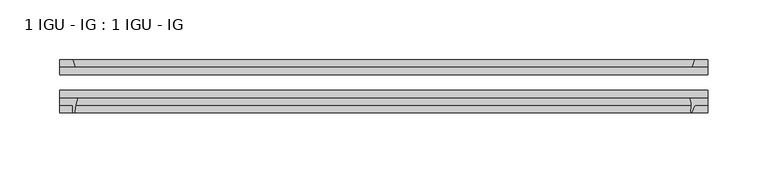
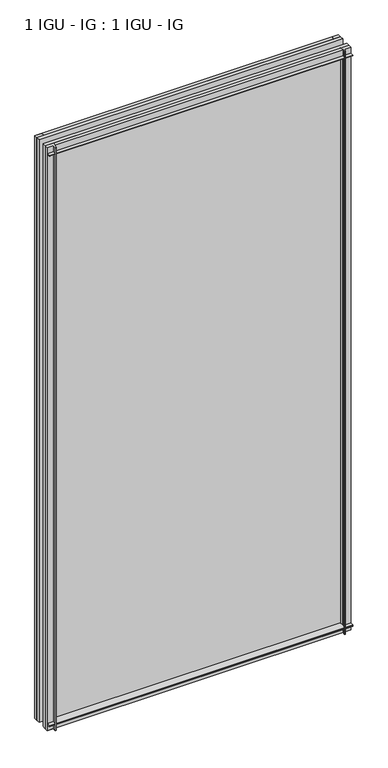
"""IFC4 building model written with IfcOpenShell, lengths in millimetres: plate geometry, 1 IGU - IG : 1 IGU - IG."""

from ifc_helpers import new_model, si_unit, point, frame, frame_2d, origin, place, context, project, spatial, polyline, circle_curve, trimmed, segment, composite_curve, outline, extrude, source, transform, mapped, element, save


def plate_1_igu_ig_1_igu_ig_8172a4a7(model_context):
    return source(origin(), model_context, "Body", "SweptSolid", [
        extrude(outline(polyline([(271.6117304, -31.75), (271.6117304, -38.1), (-271.6117304, -38.1), (-271.6117304, -31.75), (271.6117304, -31.75)])), frame((0.0, 0.0, -11.1125), z_axis=(0.0, 0.0, 1.0), x_axis=(1.0, 0.0, 0.0)), (0.0, 0.0, 1.0), 1101.725),
        extrude(outline(polyline([(-271.6117304, -12.7), (271.6117304, -12.7), (271.6117304, -19.05), (-271.6117304, -19.05), (-271.6117304, -12.7)])), frame((0.0, 0.0, -11.1125), z_axis=(0.0, 0.0, 1.0), x_axis=(1.0, 0.0, 0.0)), (0.0, 0.0, 1.0), 1101.725),
        extrude(outline(polyline([(271.6117304, -12.7), (258.3803519, -12.7), (260.4856289, -6.35), (271.6117304, -6.35), (271.6117304, -12.7)])), frame((0.0, 0.0, -11.1125), z_axis=(0.0, 0.0, 1.0), x_axis=(1.0, 0.0, 0.0)), (0.0, 0.0, 1.0), 1101.725),
        extrude(outline(composite_curve([segment(polyline([(256.3044497, -38.1), (271.6117304, -38.1), (271.6117304, -44.45), (260.4856289, -44.45), (258.0782175, -50.2620054)]), True, "CONTINUOUS"), segment(trimmed(circle_curve(frame_2d((258.0901847, -49.5000993)), 0.762), [point((258.0782175, -50.2620054))], [point((257.339685, -49.3682124))], False, "CARTESIAN"), True, "CONTINUOUS"), segment(trimmed(circle_curve(frame_2d((221.3642085, -43.0461661)), 36.5267461), [point((257.339685, -49.3682124))], [point((257.8307564, -45.1423684))], True, "CARTESIAN"), True, "CONTINUOUS"), segment(trimmed(circle_curve(frame_2d((248.3214542, -44.5957463)), 9.525), [point((257.8307564, -45.1423684))], [point((257.5642335, -42.2942999))], True, "CARTESIAN"), True, "CONTINUOUS"), segment(trimmed(circle_curve(frame_2d((213.0454334, -53.3794536)), 45.8781451), [point((257.5642335, -42.2942999))], [point((256.3044497, -38.1))], True, "CARTESIAN"), True, "CONTINUOUS")], self_intersect=False)), frame((0.0, 0.0, -11.1125), z_axis=(0.0, 0.0, 1.0), x_axis=(1.0, 0.0, 0.0)), (0.0, 0.0, 1.0), 1101.725),
        extrude(outline(composite_curve([segment(polyline([(-271.6117304, -38.1), (-256.3180511, -38.1)]), True, "CONTINUOUS"), segment(trimmed(circle_curve(frame_2d((-213.0590348, -53.3794536)), 45.8781451), [point((-256.3180511, -38.1))], [point((-258.8192876, -50.0925922))], True, "CARTESIAN"), True, "CONTINUOUS"), segment(trimmed(circle_curve(frame_2d((-259.5793295, -50.038)), 0.762), [point((-258.8192876, -50.0925922))], [point((-259.5793295, -50.8))], False, "CARTESIAN"), True, "CONTINUOUS"), segment(polyline([(-259.5793295, -50.8), (-260.4992304, -50.8), (-260.4992304, -44.45), (-271.6117304, -44.45), (-271.6117304, -38.1)]), True, "CONTINUOUS")], self_intersect=False)), frame((0.0, 0.0, -11.1125), z_axis=(0.0, 0.0, 1.0), x_axis=(1.0, 0.0, 0.0)), (0.0, 0.0, 1.0), 1101.725),
        extrude(outline(polyline([(-258.3939533, -12.7), (-271.6117304, -12.7), (-271.6117304, -6.35), (-260.4992304, -6.35), (-258.3939533, -12.7)])), frame((0.0, 0.0, -11.1125), z_axis=(0.0, 0.0, 1.0), x_axis=(1.0, 0.0, 0.0)), (0.0, 0.0, 1.0), 1101.725),
        extrude(outline(polyline([(-12.7, -11.1125), (-12.7, 2.1052771), (-6.35, 0.0), (-6.35, -11.1125), (-12.7, -11.1125)])), frame((-271.6117304, 0.0, 0.0), z_axis=(1.0, 0.0, 0.0), x_axis=(0.0, 1.0, 0.0)), (0.0, 0.0, 1.0), 543.2234607),
        extrude(outline(composite_curve([segment(polyline([(-38.1, 4.1811793), (-38.1, -11.1125), (-44.45, -11.1125), (-44.45, 0.0), (-50.8, 0.0), (-50.8, 0.9199009)]), True, "CONTINUOUS"), segment(trimmed(circle_curve(frame_2d((-50.038, 0.9199009)), 0.762), [point((-50.8, 0.9199009))], [point((-50.0925922, 1.6799428))], False, "CARTESIAN"), True, "CONTINUOUS"), segment(trimmed(circle_curve(frame_2d((-53.3794536, 47.4401956)), 45.8781451), [point((-50.0925922, 1.6799428))], [point((-38.1, 4.1811793))], True, "CARTESIAN"), True, "CONTINUOUS")], self_intersect=False)), frame((-271.6117304, 0.0, 0.0), z_axis=(1.0, 0.0, 0.0), x_axis=(0.0, 1.0, 0.0)), (0.0, 0.0, 1.0), 543.2234607),
        extrude(outline(polyline([(-6.35, 1079.5), (-12.7, 1077.3947229), (-12.7, 1090.6125), (-6.35, 1090.6125), (-6.35, 1079.5)])), frame((-271.6117304, 0.0, 0.0), z_axis=(1.0, 0.0, 0.0), x_axis=(0.0, 1.0, 0.0)), (0.0, 0.0, 1.0), 543.2234607),
        extrude(outline(composite_curve([segment(polyline([(-38.1, 1090.6125), (-38.1, 1075.3188207)]), True, "CONTINUOUS"), segment(trimmed(circle_curve(frame_2d((-53.3794536, 1032.0598044)), 45.8781451), [point((-38.1, 1075.3188207))], [point((-50.0925922, 1077.8200572))], True, "CARTESIAN"), True, "CONTINUOUS"), segment(trimmed(circle_curve(frame_2d((-50.038, 1078.5800991)), 0.762), [point((-50.0925922, 1077.8200572))], [point((-50.8, 1078.5800991))], False, "CARTESIAN"), True, "CONTINUOUS"), segment(polyline([(-50.8, 1078.5800991), (-50.8, 1079.5), (-44.45, 1079.5), (-44.45, 1090.6125), (-38.1, 1090.6125)]), True, "CONTINUOUS")], self_intersect=False)), frame((-271.6117304, 0.0, 0.0), z_axis=(1.0, 0.0, 0.0), x_axis=(0.0, 1.0, 0.0)), (0.0, 0.0, 1.0), 543.2234607),
    ])


if __name__ == "__main__":
    model = new_model("IFC4")
    model_context = context("Model", 3, world=origin())
    ifc_project = project(units=[si_unit("LENGTHUNIT", "METRE", prefix="MILLI")], contexts=[model_context])
    site = spatial("IfcSite", under=ifc_project)
    building = spatial("IfcBuilding", under=site)
    placement = place(None, origin())
    plate_1_igu_ig_1_igu_ig_shape = plate_1_igu_ig_1_igu_ig_8172a4a7(model_context)
    element("IfcPlate", 1, ObjectType="1 IGU - IG : 1 IGU - IG", at=placement, inside=building, context=model_context, shape_type="MappedRepresentation", body=[
        mapped(plate_1_igu_ig_1_igu_ig_shape, transform((0.0, 0.0, 0.0), x_axis=(1.0, 0.0, 0.0), y_axis=(0.0, 1.0, 0.0), z_axis=(0.0, 0.0, 1.0))),
    ])
    save(model, "model.ifc")
